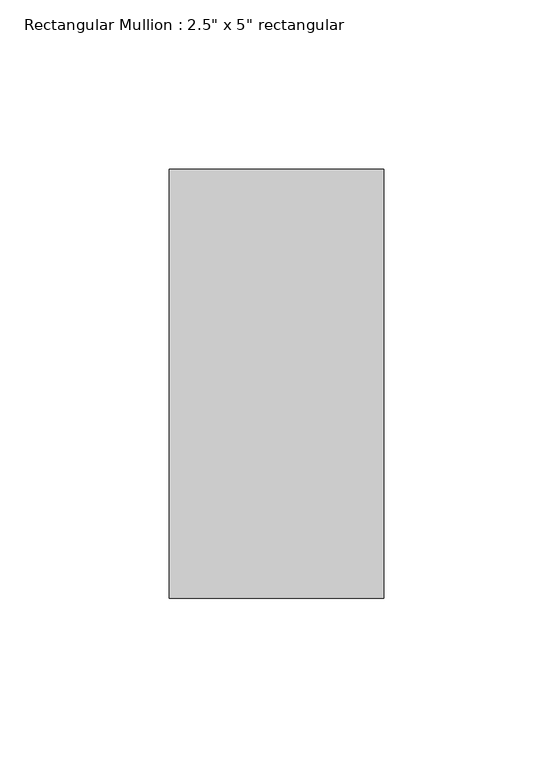
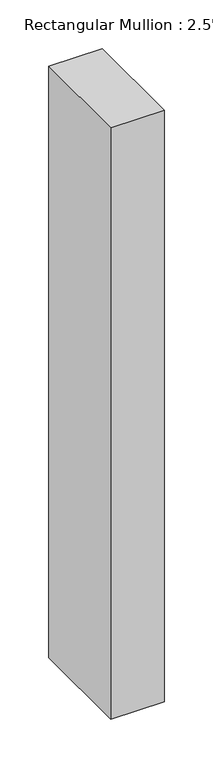
"""IFC4 building model written with IfcOpenShell, lengths in millimetres: member geometry."""

from ifc_helpers import new_model, si_unit, frame, origin, place, context, project, spatial, polyline, outline, extrude, source, transform, mapped, element, save


def member_a928e474(model_context):
    return source(origin(), model_context, "Body", "SweptSolid", [
        extrude(outline(polyline([(31.75, 63.5), (31.75, -63.5), (-31.75, -63.5), (-31.75, 63.5), (31.75, 63.5)])), frame((0.0, 0.0, -741.6800002), z_axis=(0.0, 0.0, 1.0), x_axis=(1.0, 0.0, 0.0)), (0.0, 0.0, 1.0), 741.6800002),
    ])


if __name__ == "__main__":
    model = new_model("IFC4")
    model_context = context("Model", 3, world=origin())
    ifc_project = project(units=[si_unit("LENGTHUNIT", "METRE", prefix="MILLI")], contexts=[model_context])
    site = spatial("IfcSite", under=ifc_project)
    building = spatial("IfcBuilding", under=site)
    placement = place(None, origin())
    member_shape = member_a928e474(model_context)
    element("IfcMember", 1, ObjectType="Rectangular Mullion : 2.5\" x 5\" rectangular", at=placement, inside=building, context=model_context, shape_type="MappedRepresentation", body=[
        mapped(member_shape, transform((0.0, 0.0, 0.0), x_axis=(1.0, 0.0, 0.0), y_axis=(0.0, 1.0, 0.0), z_axis=(0.0, 0.0, 1.0))),
    ])
    save(model, "model.ifc")
